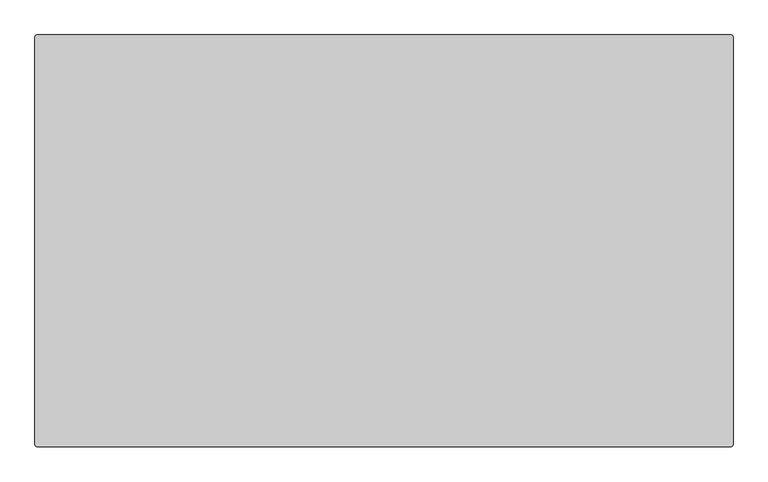
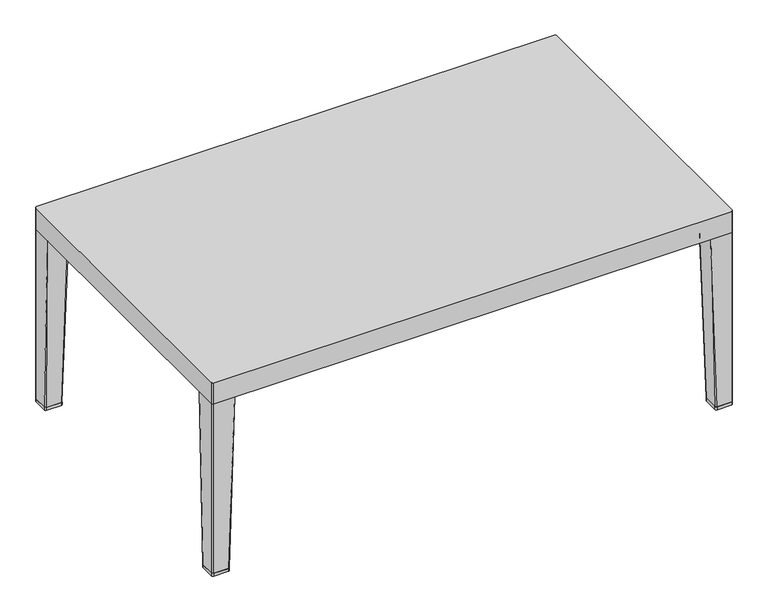
"""IFC4 building model written with IfcOpenShell, lengths in millimetres: furniture geometry."""

from ifc_helpers import new_model, si_unit, point, frame, frame_2d, origin, origin_with_axes, place, context, project, spatial, polyline, circle_curve, trimmed, segment, composite_curve, outline, extrude, source, transform, mapped, element, save
from ifc_brep_helpers import plane_surface, cylinder_surface, spline_surface, advanced_brep


def furniture_8b701635(model_context):
    return source(origin(), model_context, "Body", "SolidModel", [
        extrude(outline(composite_curve([segment(polyline([(-515.3966941, 316.6450592), (-515.3966941, 285.863133)]), True, "CONTINUOUS"), segment(trimmed(circle_curve(frame_2d((-518.530475, 285.863133)), 3.1337809), [point((-515.3966941, 285.863133))], [point((-517.6432726, 282.8575624))], False, "CARTESIAN"), True, "CONTINUOUS"), segment(polyline([(-517.6432726, 282.8575624), (-550.1945775, 282.8575624)]), True, "CONTINUOUS"), segment(trimmed(circle_curve(frame_2d((-549.3058826, 285.8734695)), 3.1441174), [point((-550.1945775, 282.8575624))], [point((-552.45, 285.8734695))], False, "CARTESIAN"), True, "CONTINUOUS"), segment(polyline([(-552.45, 285.8734695), (-552.45, 316.6282167)]), True, "CONTINUOUS"), segment(trimmed(circle_curve(frame_2d((-549.2581575, 316.6282167)), 3.1918425), [point((-552.45, 316.6282167))], [point((-549.2581575, 319.8200592))], False, "CARTESIAN"), True, "CONTINUOUS"), segment(polyline([(-549.2581575, 319.8200592), (-518.5716941, 319.8200592)]), True, "CONTINUOUS"), segment(trimmed(circle_curve(frame_2d((-518.5716941, 316.6450592)), 3.175), [point((-518.5716941, 319.8200592))], [point((-515.3966941, 316.6450592))], False, "CARTESIAN"), True, "CONTINUOUS")], self_intersect=False)), origin_with_axes(), (0.0, 0.0, 1.0), 6.3500002),
        extrude(outline(composite_curve([segment(trimmed(circle_curve(frame_2d((512.2216941, 316.6450592)), 3.175), [point((509.0466941, 316.6450592))], [point((512.2216941, 319.8200592))], False, "CARTESIAN"), True, "CONTINUOUS"), segment(polyline([(512.2216941, 319.8200592), (542.9081575, 319.8200592)]), True, "CONTINUOUS"), segment(trimmed(circle_curve(frame_2d((542.9081575, 316.6282167)), 3.1918425), [point((542.9081575, 319.8200592))], [point((546.1, 316.6282167))], False, "CARTESIAN"), True, "CONTINUOUS"), segment(polyline([(546.1, 316.6282167), (546.1, 285.8734695)]), True, "CONTINUOUS"), segment(trimmed(circle_curve(frame_2d((542.9558826, 285.8734695)), 3.1441174), [point((546.1, 285.8734695))], [point((543.8445775, 282.8575624))], False, "CARTESIAN"), True, "CONTINUOUS"), segment(polyline([(543.8445775, 282.8575624), (511.2932726, 282.8575624)]), True, "CONTINUOUS"), segment(trimmed(circle_curve(frame_2d((512.180475, 285.863133)), 3.1337809), [point((511.2932726, 282.8575624))], [point((509.0466941, 285.863133))], False, "CARTESIAN"), True, "CONTINUOUS"), segment(polyline([(509.0466941, 285.863133), (509.0466941, 316.6450592)]), True, "CONTINUOUS")], self_intersect=False)), origin_with_axes(), (0.0, 0.0, 1.0), 6.3500002),
        extrude(outline(composite_curve([segment(trimmed(circle_curve(frame_2d((-518.5716941, -324.7049408)), 3.175), [point((-515.3966941, -324.7049408))], [point((-518.5716941, -327.8799408))], False, "CARTESIAN"), True, "CONTINUOUS"), segment(polyline([(-518.5716941, -327.8799408), (-549.2581575, -327.8799408)]), True, "CONTINUOUS"), segment(trimmed(circle_curve(frame_2d((-549.2581575, -324.6880983)), 3.1918425), [point((-549.2581575, -327.8799408))], [point((-552.45, -324.6880983))], False, "CARTESIAN"), True, "CONTINUOUS"), segment(polyline([(-552.45, -324.6880983), (-552.45, -293.9333511)]), True, "CONTINUOUS"), segment(trimmed(circle_curve(frame_2d((-549.3058826, -293.9333511)), 3.1441174), [point((-552.45, -293.9333511))], [point((-549.3058826, -290.7892337))], False, "CARTESIAN"), True, "CONTINUOUS"), segment(polyline([(-549.3058826, -290.7892337), (-518.530475, -290.7892337)]), True, "CONTINUOUS"), segment(trimmed(circle_curve(frame_2d((-518.530475, -293.9230146)), 3.1337809), [point((-518.530475, -290.7892337))], [point((-515.3966941, -293.9230146))], False, "CARTESIAN"), True, "CONTINUOUS"), segment(polyline([(-515.3966941, -293.9230146), (-515.3966941, -324.7049408)]), True, "CONTINUOUS")], self_intersect=False)), origin_with_axes(), (0.0, 0.0, 1.0), 6.3500002),
        extrude(outline(composite_curve([segment(polyline([(509.0466941, -324.7049408), (509.0466941, -293.9230146)]), True, "CONTINUOUS"), segment(trimmed(circle_curve(frame_2d((512.180475, -293.9230146)), 3.1337809), [point((509.0466941, -293.9230146))], [point((512.180475, -290.7892337))], False, "CARTESIAN"), True, "CONTINUOUS"), segment(polyline([(512.180475, -290.7892337), (542.9558826, -290.7892337)]), True, "CONTINUOUS"), segment(trimmed(circle_curve(frame_2d((542.9558826, -293.9333511)), 3.1441174), [point((542.9558826, -290.7892337))], [point((546.1, -293.9333511))], False, "CARTESIAN"), True, "CONTINUOUS"), segment(polyline([(546.1, -293.9333511), (546.1, -324.6880983)]), True, "CONTINUOUS"), segment(trimmed(circle_curve(frame_2d((542.9081575, -324.6880983)), 3.1918425), [point((546.1, -324.6880983))], [point((542.9081575, -327.8799408))], False, "CARTESIAN"), True, "CONTINUOUS"), segment(polyline([(542.9081575, -327.8799408), (512.2216941, -327.8799408)]), True, "CONTINUOUS"), segment(trimmed(circle_curve(frame_2d((512.2216941, -324.7049408)), 3.175), [point((512.2216941, -327.8799408))], [point((509.0466941, -324.7049408))], False, "CARTESIAN"), True, "CONTINUOUS")], self_intersect=False)), origin_with_axes(), (0.0, 0.0, 1.0), 6.3500002),
        extrude(outline(composite_curve([segment(trimmed(circle_curve(frame_2d((542.9081575, 316.6282167)), 3.1918425), [point((542.9081575, 319.8200592))], [point((546.1, 316.6282167))], False, "CARTESIAN"), True, "CONTINUOUS"), segment(polyline([(546.1, 316.6282167), (546.1, -324.6880983)]), True, "CONTINUOUS"), segment(trimmed(circle_curve(frame_2d((542.9081575, -324.6880983)), 3.1918425), [point((546.1, -324.6880983))], [point((542.9081575, -327.8799408))], False, "CARTESIAN"), True, "CONTINUOUS"), segment(polyline([(542.9081575, -327.8799408), (-549.275, -327.8799408)]), True, "CONTINUOUS"), segment(trimmed(circle_curve(frame_2d((-549.275, -324.7049408)), 3.175), [point((-549.275, -327.8799408))], [point((-552.45, -324.7049408))], False, "CARTESIAN"), True, "CONTINUOUS"), segment(polyline([(-552.45, -324.7049408), (-552.45, 316.6282167)]), True, "CONTINUOUS"), segment(trimmed(circle_curve(frame_2d((-549.2581575, 316.6282167)), 3.1918425), [point((-552.45, 316.6282167))], [point((-549.2581575, 319.8200592))], False, "CARTESIAN"), True, "CONTINUOUS"), segment(polyline([(-549.2581575, 319.8200592), (542.9081575, 319.8200592)]), True, "CONTINUOUS")], self_intersect=False)), frame((0.0, 0.0, 384.4726563), z_axis=(0.0, 0.0, 1.0), x_axis=(1.0, 0.0, 0.0)), (0.0, 0.0, 1.0), 47.3273438),
        advanced_brep(
        [(-549.2581575, 319.8200592, 384.4726563), (-552.45, 316.6282167, 384.4726563), (-552.45, 272.541402, 384.4726563), (-511.558744, 272.541402, 384.4726563), (-505.208744, 278.891402, 384.4726563), (-505.208744, 319.8200592, 384.4726563), (-549.275, 319.8200592, 6.3500002), (-518.5716941, 319.8200592, 6.3500002), (-515.3966941, 316.6450592, 6.3500002), (-515.3966941, 285.863133, 6.3500002), (-518.530475, 282.7293521, 6.3500002), (-549.3058826, 282.7293521, 6.3500002), (-552.45, 285.8734695, 6.3500002), (-552.45, 316.6450592, 6.3500002)],
        [
            (0, 1, circle_curve(frame((-549.2581575, 316.6282167, 384.4726563), z_axis=(0.0, 0.0, 1.0), x_axis=(-1.0, 0.0, 0.0)), 3.1918425)),
            (1, 2),
            (2, 3),
            (3, 4, circle_curve(frame((-511.558744, 278.891402, 384.4726563), z_axis=(0.0, 0.0, 1.0), x_axis=(-1.0, 0.0, 0.0)), 6.35)),
            (4, 5),
            (5, 0),
            (6, 7),
            (7, 8, circle_curve(frame((-518.5716941, 316.6450592, 6.3500002), z_axis=(0.0, 0.0, -1.0), x_axis=(-1.0, 0.0, 0.0)), 3.175)),
            (8, 9),
            (9, 10, circle_curve(frame((-518.530475, 285.863133, 6.3500002), z_axis=(0.0, 0.0, -1.0), x_axis=(-1.0, 0.0, 0.0)), 3.1337809)),
            (10, 11),
            (11, 12, circle_curve(frame((-549.3058826, 285.8734695, 6.3500002), z_axis=(0.0, 0.0, -1.0), x_axis=(-1.0, 0.0, 0.0)), 3.1441174)),
            (12, 13),
            (13, 6, circle_curve(frame((-549.275, 316.6450592, 6.3500002), z_axis=(0.0, 0.0, -1.0), x_axis=(-1.0, 0.0, 0.0)), 3.175)),
            (6, 0),
            (5, 7),
            (8, 5),
            (4, 9),
            (10, 3),
            (2, 11),
            (12, 2),
            (1, 13),
        ],
        [
            plane_surface(frame((-529.3557316, 296.7070902, 384.4726563), z_axis=(0.0, 0.0, 1.0), x_axis=(-1.0, 0.0, 0.0))),
            plane_surface(frame((-533.922055, 301.265693, 6.3500002), z_axis=(0.0, 0.0, -1.0), x_axis=(-1.0, 0.0, 0.0))),
            plane_surface(frame((-533.923347, 319.8200592, 6.3500002), z_axis=(0.0, 1.0, 0.0), x_axis=(-1.0, 0.0, 0.0))),
            plane_surface(frame((-515.3966941, 301.2540961, 6.3500002), z_axis=(0.9996372212479396, 0.0, -0.02693373155910617), x_axis=(0.0, 1.0, 0.0))),
            plane_surface(frame((-533.9181788, 282.7293521, 6.3500002), z_axis=(0.0, -0.9996372212479404, -0.026933731559073183), x_axis=(1.0, 0.0, 0.0))),
            plane_surface(frame((-552.45, 301.2592644, 6.3500002), z_axis=(-1.0, 0.0, 0.0), x_axis=(0.0, -1.0, 0.0))),
            spline_surface(2, 1, [[(-515.3966941, 316.6450592, 6.3500002), (-505.208744, 319.8200592, 384.4726563)], [(-515.3966941, 319.82005919999995, 6.3500002), (-505.208744, 319.8200592, 384.4726563)], [(-518.5716941, 319.8200592, 6.3500002), (-505.208744, 319.8200592, 384.4726563)]], [3, 3], [2, 2], [0.0, 1.0], [0.0, 1.0], weights=[[1.0, 1.0], [0.7071067811865538, 0.7071067811865538], [1.0, 1.0]]),
            spline_surface(2, 1, [[(-518.530475, 282.7293521, 6.3500002), (-511.558744, 272.541402, 384.4726563)], [(-515.3966941000001, 282.7293521, 6.3500002), (-505.20874399999997, 272.54140199999995, 384.4726563)], [(-515.3966941, 285.863133, 6.3500002), (-505.208744, 278.891402, 384.4726563)]], [3, 3], [2, 2], [0.0, 1.0], [0.0, 1.0], weights=[[1.0, 1.0], [0.7071067811865444, 0.7071067811865444], [1.0, 1.0]]),
            spline_surface(2, 1, [[(-552.45, 285.8734695, 6.3500002), (-552.45, 272.541402, 384.4726563)], [(-552.4500000000002, 282.72935209999997, 6.3500002), (-552.45, 272.541402, 384.4726563)], [(-549.3058826, 282.7293521, 6.3500002), (-552.45, 272.541402, 384.4726563)]], [3, 3], [2, 2], [0.0, 1.0], [0.0, 1.0], weights=[[1.0, 1.0], [0.7071067811865411, 0.7071067811865411], [1.0, 1.0]]),
            spline_surface(2, 1, [[(-549.275, 319.8200592, 6.3500002), (-549.2581575, 319.8200592, 384.4726563)], [(-552.45, 319.8200592, 6.3500002), (-552.45, 319.8200592, 384.4726563)], [(-552.45, 316.6450592, 6.3500002), (-552.45, 316.6282167, 384.4726563)]], [3, 3], [2, 2], [0.0, 1.0], [0.0, 1.0], weights=[[1.0, 1.0], [0.7071067811865476, 0.7071067811865476], [1.0, 1.0]]),
        ],
        [
            (0, [[1, 2, 3, 4, 5, 6]]),
            (1, [[7, 8, 9, 10, 11, 12, 13, 14]]),
            (2, [[-7, 15, -6, 16]]),
            (3, [[-9, 17, -5, 18]]),
            (4, [[-11, 19, -3, 20]]),
            (5, [[-13, 21, -2, 22]]),
            (6, [[-8, -16, -17]]),
            (7, [[-10, -18, -4, -19]]),
            (8, [[-12, -20, -21]]),
            (9, [[-14, -22, -1, -15]]),
        ],
    ),
        advanced_brep(
        [(542.8792474, 319.8200592, 384.4726563), (498.858744, 319.8200592, 384.4726563), (498.858744, 278.891402, 384.4726563), (505.208744, 272.541402, 384.4726563), (546.1, 272.541402, 384.4726563), (546.1, 316.5993066, 384.4726563), (542.925, 319.8200592, 6.3500002), (546.1, 316.6450592, 6.3500002), (546.1, 285.8734695, 6.3500002), (542.9558826, 282.7293521, 6.3500002), (512.180475, 282.7293521, 6.3500002), (509.0466941, 285.863133, 6.3500002), (509.0466941, 316.6450592, 6.3500002), (512.2216941, 319.8200592, 6.3500002)],
        [
            (0, 1),
            (1, 2),
            (2, 3, circle_curve(frame((505.208744, 278.891402, 384.4726563), z_axis=(0.0, 0.0, 1.0), x_axis=(1.0, 0.0, 0.0)), 6.35)),
            (3, 4),
            (4, 5),
            (5, 0, circle_curve(frame((542.8792474, 316.5993066, 384.4726563), z_axis=(0.0, 0.0, 1.0), x_axis=(1.0, 0.0, 0.0)), 3.2207526)),
            (6, 7, circle_curve(frame((542.925, 316.6450592, 6.3500002), z_axis=(0.0, 0.0, -1.0), x_axis=(1.0, 0.0, 0.0)), 3.175)),
            (7, 8),
            (8, 9, circle_curve(frame((542.9558826, 285.8734695, 6.3500002), z_axis=(0.0, 0.0, -1.0), x_axis=(1.0, 0.0, 0.0)), 3.1441174)),
            (9, 10),
            (10, 11, circle_curve(frame((512.180475, 285.863133, 6.3500002), z_axis=(0.0, 0.0, -1.0), x_axis=(1.0, 0.0, 0.0)), 3.1337809)),
            (11, 12),
            (12, 13, circle_curve(frame((512.2216941, 316.6450592, 6.3500002), z_axis=(0.0, 0.0, -1.0), x_axis=(1.0, 0.0, 0.0)), 3.175)),
            (13, 6),
            (13, 1),
            (0, 6),
            (11, 2),
            (1, 12),
            (9, 4),
            (3, 10),
            (7, 5),
            (4, 8),
        ],
        [
            plane_surface(frame((523.0009132, 296.7022719, 384.4726563), z_axis=(0.0, 0.0, 1.0), x_axis=(-1.0, 0.0, 0.0))),
            plane_surface(frame((527.572055, 301.265693, 6.3500002), z_axis=(0.0, 0.0, -1.0), x_axis=(-1.0, 0.0, 0.0))),
            plane_surface(frame((527.573347, 319.8200592, 6.3500002), z_axis=(0.0, 1.0, 0.0), x_axis=(-1.0, 0.0, 0.0))),
            plane_surface(frame((509.0466941, 301.2540961, 6.3500002), z_axis=(-0.9996372212479322, 0.0, -0.026933731559380263), x_axis=(0.0, -1.0, 0.0))),
            plane_surface(frame((527.5681788, 282.7293521, 6.3500002), z_axis=(0.0, -0.9996372212479389, -0.026933731559133707), x_axis=(1.0, 0.0, 0.0))),
            plane_surface(frame((546.1, 301.2592644, 6.3500002), z_axis=(1.0, 0.0, 0.0), x_axis=(0.0, 1.0, 0.0))),
            spline_surface(2, 1, [[(512.2216941, 319.8200592, 6.3500002), (498.858744, 319.8200592, 384.4726563)], [(509.0466941, 319.8200592, 6.3500002), (498.858744, 319.8200592, 384.4726563)], [(509.0466941, 316.6450592, 6.3500002), (498.858744, 319.8200592, 384.4726563)]], [3, 3], [2, 2], [0.0, 1.0], [0.0, 1.0], weights=[[1.0, 1.0], [0.7071067811865476, 0.7071067811865476], [1.0, 1.0]]),
            spline_surface(2, 1, [[(509.0466941, 285.863133, 6.3500002), (498.858744, 278.891402, 384.4726563)], [(509.0466941, 282.7293521, 6.3500002), (498.858744, 272.541402, 384.4726563)], [(512.180475, 282.7293521, 6.3500002), (505.208744, 272.541402, 384.4726563)]], [3, 3], [2, 2], [0.0, 1.0], [0.0, 1.0], weights=[[1.0, 1.0], [0.7071067811865476, 0.7071067811865476], [1.0, 1.0]]),
            spline_surface(2, 1, [[(542.9558826, 282.7293521, 6.3500002), (546.1, 272.541402, 384.4726563)], [(546.0999999999999, 282.7293521000001, 6.3500002), (546.1, 272.541402, 384.4726563)], [(546.1, 285.8734695, 6.3500002), (546.1, 272.541402, 384.4726563)]], [3, 3], [2, 2], [0.0, 1.0], [0.0, 1.0], weights=[[1.0, 1.0], [0.7071067811865539, 0.7071067811865539], [1.0, 1.0]]),
            spline_surface(2, 1, [[(546.1, 316.6450592, 6.3500002), (546.1, 316.5993066, 384.4726563)], [(546.1, 319.82005920000006, 6.3500002), (546.1, 319.82005919999995, 384.4726563)], [(542.925, 319.8200592, 6.3500002), (542.8792474, 319.8200592, 384.4726563)]], [3, 3], [2, 2], [0.0, 1.0], [0.0, 1.0], weights=[[1.0, 1.0], [0.7071067811865537, 0.7071067811865537], [1.0, 1.0]]),
        ],
        [
            (0, [[1, 2, 3, 4, 5, 6]]),
            (1, [[7, 8, 9, 10, 11, 12, 13, 14]]),
            (2, [[-14, 15, -1, 16]]),
            (3, [[-12, 17, -2, 18]]),
            (4, [[-10, 19, -4, 20]]),
            (5, [[-8, 21, -5, 22]]),
            (6, [[-13, -18, -15]]),
            (7, [[-11, -20, -3, -17]]),
            (8, [[-9, -22, -19]]),
            (9, [[-7, -16, -6, -21]]),
        ],
    ),
        advanced_brep(
        [(542.8870244, -327.8799408, 384.4726563), (546.1, -324.6669652, 384.4726563), (546.1, -280.6012836, 384.4726563), (505.208744, -280.6012836, 384.4726563), (498.858744, -286.9512836, 384.4726563), (498.858744, -327.8799408, 384.4726563), (542.925, -327.8799408, 6.3500002), (512.2216941, -327.8799408, 6.3500002), (509.0466941, -324.7049408, 6.3500002), (509.0466941, -293.9230146, 6.3500002), (512.180475, -290.7892337, 6.3500002), (542.9558826, -290.7892337, 6.3500002), (546.1, -293.9333511, 6.3500002), (546.1, -324.7049408, 6.3500002)],
        [
            (0, 1, circle_curve(frame((542.8870244, -324.6669652, 384.4726563), z_axis=(0.0, 0.0, 1.0), x_axis=(1.0, 0.0, 0.0)), 3.2129756)),
            (1, 2),
            (2, 3),
            (3, 4, circle_curve(frame((505.208744, -286.9512836, 384.4726563), z_axis=(0.0, 0.0, 1.0), x_axis=(1.0, 0.0, 0.0)), 6.35)),
            (4, 5),
            (5, 0),
            (6, 7),
            (7, 8, circle_curve(frame((512.2216941, -324.7049408, 6.3500002), z_axis=(0.0, 0.0, -1.0), x_axis=(1.0, 0.0, 0.0)), 3.175)),
            (8, 9),
            (9, 10, circle_curve(frame((512.180475, -293.9230146, 6.3500002), z_axis=(0.0, 0.0, -1.0), x_axis=(1.0, 0.0, 0.0)), 3.1337809)),
            (10, 11),
            (11, 12, circle_curve(frame((542.9558826, -293.9333511, 6.3500002), z_axis=(0.0, 0.0, -1.0), x_axis=(1.0, 0.0, 0.0)), 3.1441174)),
            (12, 13),
            (13, 6, circle_curve(frame((542.925, -324.7049408, 6.3500002), z_axis=(0.0, 0.0, -1.0), x_axis=(1.0, 0.0, 0.0)), 3.175)),
            (6, 0),
            (5, 7),
            (8, 5),
            (4, 9),
            (10, 3),
            (2, 11),
            (12, 2),
            (1, 13),
        ],
        [
            plane_surface(frame((523.0022094, -304.7634496, 384.4726563), z_axis=(0.0, 0.0, 1.0), x_axis=(1.0, 0.0, 0.0))),
            plane_surface(frame((527.572055, -309.3255745, 6.3500002), z_axis=(0.0, 0.0, -1.0), x_axis=(1.0, 0.0, 0.0))),
            plane_surface(frame((527.573347, -327.8799408, 6.3500002), z_axis=(0.0, -1.0, -1.2446784622069719e-12), x_axis=(1.0, 0.0, 0.0))),
            plane_surface(frame((509.0466941, -309.3139777, 6.3500002), z_axis=(-0.9996372212479406, 0.0, -0.02693373155906809), x_axis=(0.0, -1.0, 0.0))),
            plane_surface(frame((527.5681788, -290.7892337, 6.3500002), z_axis=(0.0, 0.9996372212479386, -0.026933731559141843), x_axis=(-1.0, 0.0, 0.0))),
            plane_surface(frame((546.1, -309.3191459, 6.3500002), z_axis=(1.0, 0.0, 0.0), x_axis=(0.0, 1.0, 0.0))),
            spline_surface(2, 1, [[(509.0466941, -324.7049408, 6.3500002), (498.858744, -327.8799408, 384.4726563)], [(509.0466941, -327.8799408, 6.3500002), (498.858744, -327.8799408, 384.4726563)], [(512.2216941, -327.8799408, 6.3500002), (498.858744, -327.8799408, 384.4726563)]], [3, 3], [2, 2], [0.0, 1.0], [0.0, 1.0], weights=[[1.0, 1.0], [0.7071067811865476, 0.7071067811865476], [1.0, 1.0]]),
            spline_surface(2, 1, [[(512.180475, -290.7892337, 6.3500002), (505.208744, -280.6012836, 384.4726563)], [(509.0466941, -290.7892337, 6.3500002), (498.858744, -280.6012836, 384.4726563)], [(509.0466941, -293.9230146, 6.3500002), (498.858744, -286.9512836, 384.4726563)]], [3, 3], [2, 2], [0.0, 1.0], [0.0, 1.0], weights=[[1.0, 1.0], [0.7071067811865476, 0.7071067811865476], [1.0, 1.0]]),
            spline_surface(2, 1, [[(546.1, -293.9333511, 6.3500002), (546.1, -280.6012836, 384.4726563)], [(546.1000000000001, -290.78923369999995, 6.3500002), (546.1, -280.6012836, 384.4726563)], [(542.9558826, -290.7892337, 6.3500002), (546.1, -280.6012836, 384.4726563)]], [3, 3], [2, 2], [0.0, 1.0], [0.0, 1.0], weights=[[1.0, 1.0], [0.7071067811865411, 0.7071067811865411], [1.0, 1.0]]),
            spline_surface(2, 1, [[(542.925, -327.8799408, 6.3500002), (542.8870244, -327.8799408, 384.4726563)], [(546.0999999999999, -327.87994079999993, 6.3500002), (546.0999999999999, -327.87994079999993, 384.4726563)], [(546.1, -324.7049408, 6.3500002), (546.1, -324.6669652, 384.4726563)]], [3, 3], [2, 2], [0.0, 1.0], [0.0, 1.0], weights=[[1.0, 1.0], [0.7071067811865538, 0.7071067811865538], [1.0, 1.0]]),
        ],
        [
            (0, [[1, 2, 3, 4, 5, 6]]),
            (1, [[7, 8, 9, 10, 11, 12, 13, 14]]),
            (2, [[-7, 15, -6, 16]]),
            (3, [[-9, 17, -5, 18]]),
            (4, [[-11, 19, -3, 20]]),
            (5, [[-13, 21, -2, 22]]),
            (6, [[-8, -16, -17]]),
            (7, [[-10, -18, -4, -19]]),
            (8, [[-12, -20, -21]]),
            (9, [[-14, -22, -1, -15]]),
        ],
    ),
        advanced_brep(
        [(-549.275, -327.8799408, 384.4726563), (-505.208744, -327.8799408, 384.4726563), (-505.208744, -286.9512836, 384.4726563), (-511.558744, -280.6012836, 384.4726563), (-552.45, -280.6012836, 384.4726563), (-552.45, -324.7049408, 384.4726563), (-549.275, -327.8799408, 6.3500002), (-552.45, -324.7049408, 6.3500002), (-552.45, -293.9333511, 6.3500002), (-549.3058826, -290.7892337, 6.3500002), (-518.530475, -290.7892337, 6.3500002), (-515.3966941, -293.9230146, 6.3500002), (-515.3966941, -324.7049408, 6.3500002), (-518.5716941, -327.8799408, 6.3500002)],
        [
            (0, 1),
            (1, 2),
            (2, 3, circle_curve(frame((-511.558744, -286.9512836, 384.4726563), z_axis=(0.0, 0.0, 1.0), x_axis=(-1.0, 0.0, 0.0)), 6.35)),
            (3, 4),
            (4, 5),
            (5, 0, circle_curve(frame((-549.275, -324.7049408, 384.4726563), z_axis=(0.0, 0.0, 1.0), x_axis=(0.0, -1.0, 0.0)), 3.175)),
            (6, 7, circle_curve(frame((-549.275, -324.7049408, 6.3500002), z_axis=(0.0, 0.0, -1.0), x_axis=(0.0, -1.0, 0.0)), 3.175)),
            (7, 8),
            (8, 9, circle_curve(frame((-549.3058826, -293.9333511, 6.3500002), z_axis=(0.0, 0.0, -1.0), x_axis=(-1.0, 0.0, 0.0)), 3.1441174)),
            (9, 10),
            (10, 11, circle_curve(frame((-518.530475, -293.9230146, 6.3500002), z_axis=(0.0, 0.0, -1.0), x_axis=(-1.0, 0.0, 0.0)), 3.1337809)),
            (11, 12),
            (12, 13, circle_curve(frame((-518.5716941, -324.7049408, 6.3500002), z_axis=(0.0, 0.0, -1.0), x_axis=(-1.0, 0.0, 0.0)), 3.175)),
            (13, 6),
            (13, 1),
            (0, 6),
            (11, 2),
            (1, 12),
            (9, 4),
            (3, 10),
            (7, 5),
            (4, 8),
        ],
        [
            plane_surface(frame((-529.3585387, -304.7697788, 384.4726563), z_axis=(0.0, 0.0, 1.0), x_axis=(1.0, 0.0, 0.0))),
            plane_surface(frame((-533.922055, -309.3255745, 6.3500002), z_axis=(0.0, 0.0, -1.0), x_axis=(1.0, 0.0, 0.0))),
            plane_surface(frame((-533.923347, -327.8799408, 6.3500002), z_axis=(0.0, -1.0, 0.0), x_axis=(1.0, 0.0, 0.0))),
            plane_surface(frame((-515.3966941, -309.3139777, 6.3500002), z_axis=(0.9996372212479387, 0.0, -0.026933731559136035), x_axis=(0.0, 1.0, 0.0))),
            plane_surface(frame((-533.9181788, -290.7892337, 6.3500002), z_axis=(0.0, 0.9996372212479369, -0.026933731559208623), x_axis=(-1.0, 0.0, 0.0))),
            plane_surface(frame((-552.45, -309.3191459, 6.3500002), z_axis=(-1.0, 0.0, 0.0), x_axis=(0.0, -1.0, 0.0))),
            spline_surface(2, 1, [[(-518.5716941, -327.8799408, 6.3500002), (-505.208744, -327.8799408, 384.4726563)], [(-515.3966940999999, -327.87994080000004, 6.3500002), (-505.208744, -327.8799408, 384.4726563)], [(-515.3966941, -324.7049408, 6.3500002), (-505.208744, -327.8799408, 384.4726563)]], [3, 3], [2, 2], [0.0, 1.0], [0.0, 1.0], weights=[[1.0, 1.0], [0.7071067811865411, 0.7071067811865411], [1.0, 1.0]]),
            spline_surface(2, 1, [[(-515.3966941, -293.9230146, 6.3500002), (-505.208744, -286.9512836, 384.4726563)], [(-515.3966941, -290.78923369999995, 6.3500002), (-505.2087440000001, -280.60128360000004, 384.4726563)], [(-518.530475, -290.7892337, 6.3500002), (-511.558744, -280.6012836, 384.4726563)]], [3, 3], [2, 2], [0.0, 1.0], [0.0, 1.0], weights=[[1.0, 1.0], [0.7071067811865507, 0.7071067811865507], [1.0, 1.0]]),
            spline_surface(2, 1, [[(-549.3058826, -290.7892337, 6.3500002), (-552.45, -280.6012836, 384.4726563)], [(-552.45, -290.78923370000007, 6.3500002), (-552.45, -280.6012836, 384.4726563)], [(-552.45, -293.9333511, 6.3500002), (-552.45, -280.6012836, 384.4726563)]], [3, 3], [2, 2], [0.0, 1.0], [0.0, 1.0], weights=[[1.0, 1.0], [0.7071067811865539, 0.7071067811865539], [1.0, 1.0]]),
            cylinder_surface(frame((-549.275, -324.7049408, 6.3500002), z_axis=(0.0, 0.0, 1.0), x_axis=(0.0, -1.0, 0.0)), 3.175),
        ],
        [
            (0, [[1, 2, 3, 4, 5, 6]]),
            (1, [[7, 8, 9, 10, 11, 12, 13, 14]]),
            (2, [[-14, 15, -1, 16]]),
            (3, [[-12, 17, -2, 18]]),
            (4, [[-10, 19, -4, 20]]),
            (5, [[-8, 21, -5, 22]]),
            (6, [[-13, -18, -15]]),
            (7, [[-11, -20, -3, -17]]),
            (8, [[-9, -22, -19]]),
            (9, [[-7, -16, -6, -21]]),
        ],
    ),
    ])


if __name__ == "__main__":
    model = new_model("IFC4")
    model_context = context("Model", 3, world=origin())
    ifc_project = project(units=[si_unit("LENGTHUNIT", "METRE", prefix="MILLI")], contexts=[model_context])
    site = spatial("IfcSite", under=ifc_project)
    building = spatial("IfcBuilding", under=site)
    placement = place(None, origin())
    furniture_shape = furniture_8b701635(model_context)
    element("IfcFurniture", 1, at=placement, inside=building, context=model_context, shape_type="MappedRepresentation", body=[
        mapped(furniture_shape, transform((0.0, 0.0, 0.0), x_axis=(1.0, 0.0, 0.0), y_axis=(0.0, 1.0, 0.0), z_axis=(0.0, 0.0, 1.0))),
    ])
    save(model, "model.ifc")
